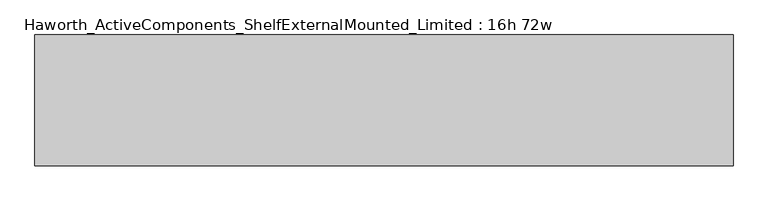
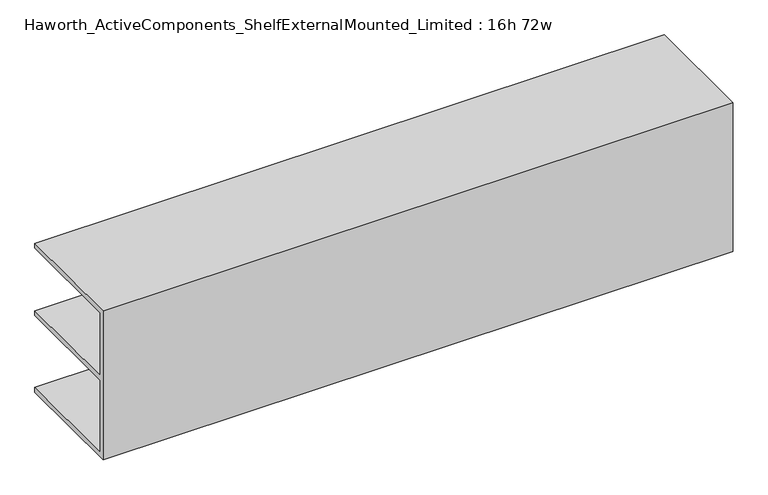
"""IFC4 building model written with IfcOpenShell, lengths in millimetres: furniture geometry, Haworth_ActiveComponents_ShelfExternalMounted_Limited : 16h 72w."""

from ifc_helpers import new_model, si_unit, frame, origin, place, context, project, spatial, polyline, outline, extrude, source, transform, mapped, element, save


def haworth_activecomponents_shelfexternalmounted_limited_16h_29c47d30(model_context):
    return source(origin(), model_context, "Body", "SweptSolid", [
        extrude(outline(polyline([(1110.3841932, 431.2564813), (1110.3841932, 736.0564813), (1338.9841932, 736.0564813), (1338.9841932, 726.5314813), (1119.9091932, 726.5314813), (1119.9091932, 597.9439813), (1338.9841932, 597.9439813), (1338.9841932, 588.4189813), (1119.9091932, 588.4189813), (1119.9091932, 440.7814813), (1338.9841932, 440.7814813), (1338.9841932, 431.2564813), (1110.3841932, 431.2564813)])), frame((-2260.546931, 0.0, 0.0), z_axis=(1.0, 0.0, 0.0), x_axis=(0.0, 1.0, 0.0)), (0.0, 0.0, 1.0), 1219.2),
    ])


if __name__ == "__main__":
    model = new_model("IFC4")
    model_context = context("Model", 3, world=origin())
    ifc_project = project(units=[si_unit("LENGTHUNIT", "METRE", prefix="MILLI")], contexts=[model_context])
    site = spatial("IfcSite", under=ifc_project)
    building = spatial("IfcBuilding", under=site)
    placement = place(None, origin())
    haworth_activecomponents_shelfexternalmounted_limited_16h_shape = haworth_activecomponents_shelfexternalmounted_limited_16h_29c47d30(model_context)
    element("IfcFurniture", 1, ObjectType="Haworth_ActiveComponents_ShelfExternalMounted_Limited : 16h 72w", at=placement, inside=building, context=model_context, shape_type="MappedRepresentation", body=[
        mapped(haworth_activecomponents_shelfexternalmounted_limited_16h_shape, transform((0.0, 0.0, 0.0), x_axis=(1.0, 0.0, 0.0), y_axis=(0.0, 1.0, 0.0), z_axis=(0.0, 0.0, 1.0))),
    ])
    save(model, "model.ifc")
